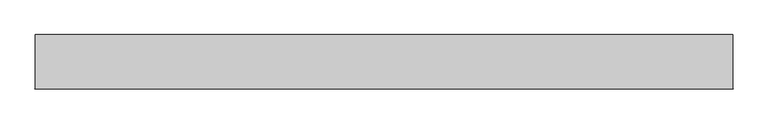
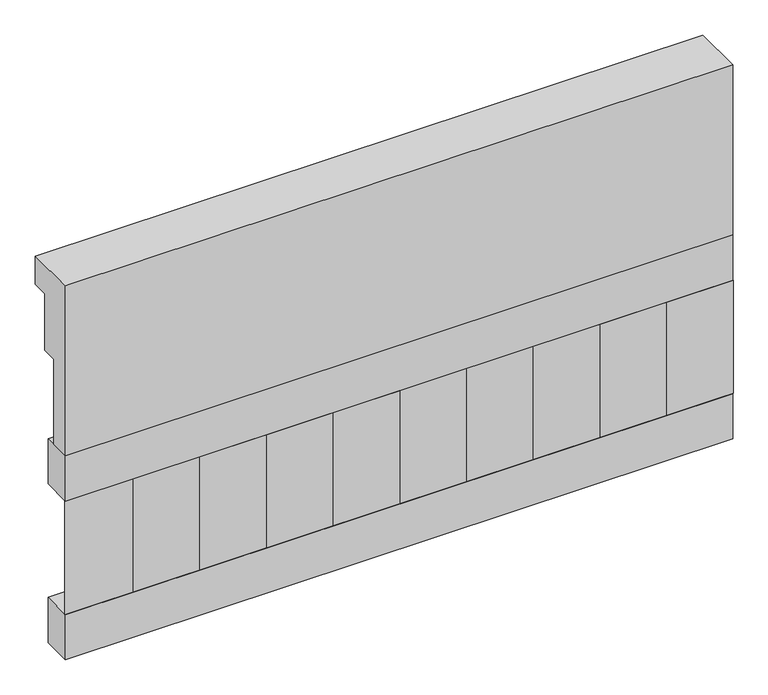
"""IFC4 building model written with IfcOpenShell, lengths in millimetres: railing geometry."""

import ifcopenshell
import ifcopenshell.guid

model = None  # the IFC model being written
_history = None  # IfcOwnerHistory: only IFC2X3 demands one
_inside = {}  # id of a spatial element -> (the spatial element, [elements in it])
_under = {}  # id of a project, library or spatial element -> (it, [spatial elements below it])
_declared = {}  # id of a project -> (the project, [libraries it declares])
_typed = {}  # id of a type object -> (the type object, [elements of that type])
_made_of = {}  # id of a material, layer set ... -> (it, [elements and type objects made of it])


def new_model(schema):
    """Start an empty IFC model of exactly this schema.

    Asked for "IFC4X3", IfcOpenShell would pick the latest addendum, in which some entities
    have other attributes; the version numbers below select the first issue.
    IFC2X3 requires an IfcOwnerHistory on every rooted entity: one is made here for all.
    """
    global model, _history
    if schema == "IFC4X3":
        model = ifcopenshell.file(schema_version=(4, 3, 0, 0))
    else:
        model = ifcopenshell.file(schema=schema)
    _inside.clear()
    _under.clear()
    _declared.clear()
    _typed.clear()
    _made_of.clear()
    _history = None
    if model.schema == "IFC2X3":
        org = make("IfcOrganization", Name="unknown")
        user = make(
            "IfcPersonAndOrganization",
            ThePerson=make("IfcPerson", FamilyName="unknown"),
            TheOrganization=org,
        )
        app = make(
            "IfcApplication",
            ApplicationDeveloper=org,
            Version="unknown",
            ApplicationFullName="unknown",
            ApplicationIdentifier="unknown",
        )
        _history = make(
            "IfcOwnerHistory",
            OwningUser=user,
            OwningApplication=app,
            ChangeAction="ADDED",
            CreationDate=0,
        )
    return model


def make(cls, **values):
    """One entity of the class cls with the attributes given. An attribute that is None is left unset."""
    return model.create_entity(
        cls, **{name: value for name, value in values.items() if value is not None}
    )


def rooted(cls, **values):
    """An entity with a GlobalId (a new one), such as an element, a storey or a relation."""
    return make(cls, GlobalId=ifcopenshell.guid.new(), OwnerHistory=_history, **values)


def si_unit(unit_type, name, prefix=None):
    """IfcSIUnit, for example si_unit("LENGTHUNIT", "METRE", prefix="MILLI")."""
    return make("IfcSIUnit", UnitType=unit_type, Prefix=prefix, Name=name)


def assignment(units):
    """IfcUnitAssignment: the units of a project."""
    return None if units is None else make("IfcUnitAssignment", Units=units)


def point(xyz):
    """IfcCartesianPoint."""
    return None if xyz is None else make("IfcCartesianPoint", Coordinates=xyz)


def direction(xyz):
    """IfcDirection."""
    return None if xyz is None else make("IfcDirection", DirectionRatios=xyz)


def frame(location, z_axis=None, x_axis=None):
    """IfcAxis2Placement3D, a coordinate frame: its origin and axes. An axis left out is left unset."""
    return make(
        "IfcAxis2Placement3D",
        Location=point(location),
        Axis=direction(z_axis),
        RefDirection=direction(x_axis),
    )


def origin():
    """The frame at (0, 0, 0) with its axes left unset."""
    return frame((0.0, 0.0, 0.0))


def place(relative_to, where):
    """IfcLocalPlacement: puts the frame where relative to a parent placement (None: the world)."""
    return make(
        "IfcLocalPlacement", PlacementRelTo=relative_to, RelativePlacement=where
    )


def context(
    kind, dimensions, precision=None, world=None, true_north=None, identifier=None
):
    """IfcGeometricRepresentationContext, for example the 3D "Model" context."""
    return make(
        "IfcGeometricRepresentationContext",
        ContextIdentifier=identifier,
        ContextType=kind,
        CoordinateSpaceDimension=dimensions,
        Precision=precision,
        WorldCoordinateSystem=world,
        TrueNorth=true_north,
    )


def project(units=None, contexts=None):
    """IfcProject with its units and contexts."""
    return rooted(
        "IfcProject",
        Name="project",
        RepresentationContexts=contexts,
        UnitsInContext=assignment(units),
    )


def spatial(cls, under=None, at=None, **own):
    """A site, building, storey or space (cls), placed at a placement, below another one or the project."""
    s = rooted(cls, ObjectPlacement=at, **own)
    if under is not None:
        _under.setdefault(under.id(), (under, []))[1].append(s)
    return s


def polyline(points):
    """IfcPolyline through the points."""
    return make("IfcPolyline", Points=[point(p) for p in points])


def outline(outer, holes=None, kind="AREA"):
    """IfcArbitraryClosedProfileDef: a profile drawn as a closed curve; with holes, ...WithVoids."""
    if holes is None:
        return make("IfcArbitraryClosedProfileDef", ProfileType=kind, OuterCurve=outer)
    return make(
        "IfcArbitraryProfileDefWithVoids",
        ProfileType=kind,
        OuterCurve=outer,
        InnerCurves=holes,
    )


def extrude(swept, where, along, depth):
    """IfcExtrudedAreaSolid: the profile swept, set in the frame where, extruded along a direction by depth."""
    return make(
        "IfcExtrudedAreaSolid",
        SweptArea=swept,
        Position=where,
        ExtrudedDirection=direction(along),
        Depth=depth,
    )


def shape(context_of_items, identifier, shape_type, items):
    """IfcShapeRepresentation: the items that make up one representation, for example the "Body"."""
    return make(
        "IfcShapeRepresentation",
        ContextOfItems=context_of_items,
        RepresentationIdentifier=identifier,
        RepresentationType=shape_type,
        Items=items,
    )


def source(mapping_origin, context_of_items, identifier, shape_type, items):
    """IfcRepresentationMap: a shape defined once, which mapped items show again and again."""
    return make(
        "IfcRepresentationMap",
        MappingOrigin=mapping_origin,
        MappedRepresentation=shape(context_of_items, identifier, shape_type, items),
    )


def transform(
    local_origin,
    x_axis=None,
    y_axis=None,
    z_axis=None,
    scale=None,
    scale2=None,
    scale3=None,
    uniform=True,
):
    """IfcCartesianTransformationOperator3D, or its non-uniform kind. x_axis, y_axis, z_axis: its Axis1, 2, 3."""
    if uniform:
        return make(
            "IfcCartesianTransformationOperator3D",
            Axis1=direction(x_axis),
            Axis2=direction(y_axis),
            LocalOrigin=point(local_origin),
            Scale=scale,
            Axis3=direction(z_axis),
        )
    return make(
        "IfcCartesianTransformationOperator3DnonUniform",
        Axis1=direction(x_axis),
        Axis2=direction(y_axis),
        LocalOrigin=point(local_origin),
        Scale=scale,
        Axis3=direction(z_axis),
        Scale2=scale2,
        Scale3=scale3,
    )


def mapped(mapping_source, mapping_target):
    """IfcMappedItem: shows the shape of a source again, moved by a transform."""
    return make(
        "IfcMappedItem", MappingSource=mapping_source, MappingTarget=mapping_target
    )


def made_of(thing, what):
    """Note that an element or type object is made of a material, layer set ...; save() writes the relation."""
    if what is not None:
        _made_of.setdefault(what.id(), (what, []))[1].append(thing)
    return thing


def element(
    cls,
    number,
    at=None,
    inside=None,
    cuts=None,
    type_object=None,
    material=None,
    context=None,
    identifier="Body",
    shape_type=None,
    held_by="IfcProductDefinitionShape",
    body=None,
    shapes=None,
    **own,
):
    """One element of the class cls, such as IfcWall. Its Tag is "e" and its number.

    at: its placement. inside: the storey or other place that contains it. cuts: it is an
    opening in that element (IfcRelVoidsElement). A single representation is given by context,
    identifier, shape_type and body (its items); several are given by shapes. held_by: the class
    of the entity that holds the representations. save() writes the other relations.
    """
    e = rooted(cls, Tag="e%d" % number, ObjectPlacement=at, **own)
    if body is not None:
        shapes = [shape(context, identifier, shape_type, body)]
    if shapes is not None:
        e.Representation = make(held_by, Representations=shapes)
    if inside is not None:
        _inside.setdefault(inside.id(), (inside, []))[1].append(e)
    if cuts is not None:
        rooted(
            "IfcRelVoidsElement", RelatingBuildingElement=cuts, RelatedOpeningElement=e
        )
    if type_object is not None:
        _typed.setdefault(type_object.id(), (type_object, []))[1].append(e)
    return made_of(e, material)


def aggregate(whole, parts):
    """IfcRelAggregates: a whole, such as a stair, and the parts it consists of."""
    return rooted("IfcRelAggregates", RelatingObject=whole, RelatedObjects=parts)


def save(model, path):
    """Write the relations noted so far, then the file.

    IfcRelAggregates (storeys below a building ...), IfcRelContainedInSpatialStructure (elements
    in a storey), IfcRelDefinesByType, IfcRelAssociatesMaterial and IfcRelDeclares: one each for
    every whole, place, type object, material and project.
    """
    for whole, parts in _under.values():
        aggregate(whole, parts)
    for where, things in _inside.values():
        rooted(
            "IfcRelContainedInSpatialStructure",
            RelatedElements=things,
            RelatingStructure=where,
        )
    for kind, things in _typed.values():
        rooted("IfcRelDefinesByType", RelatedObjects=things, RelatingType=kind)
    for what, things in _made_of.values():
        rooted("IfcRelAssociatesMaterial", RelatedObjects=things, RelatingMaterial=what)
    for by, libraries in _declared.values():
        rooted("IfcRelDeclares", RelatingContext=by, RelatedDefinitions=libraries)
    model.write(path)


def railing_172c2bff(model_context):
    return source(origin(), model_context, "Body", "SweptSolid", [
        extrude(outline(polyline([(903.1079487, 21800.0), (1033.1079487, 21800.0), (1033.1079487, 21725.0), (993.1079487, 21725.0), (993.1079487, 21575.0), (953.1079487, 21575.0), (953.1079487, 21350.0), (903.1079487, 21350.0), (903.1079487, 21800.0)])), frame((-22709.9887159, 0.0, 0.0), z_axis=(1.0, 0.0, 0.0), x_axis=(0.0, 1.0, 0.0)), (0.0, 0.0, 1.0), 1670.0),
        extrude(outline(polyline([(-21039.9887159, 978.1079487), (-21039.9887159, 903.1079487), (-22709.9887159, 903.1079487), (-22709.9887159, 978.1079487), (-21039.9887159, 978.1079487)])), frame((0.0, 0.0, 21230.0), z_axis=(0.0, 0.0, 1.0), x_axis=(1.0, 0.0, 0.0)), (0.0, 0.0, 1.0), 120.0),
        extrude(outline(polyline([(-21039.9887159, 978.1079487), (-21039.9887159, 903.1079487), (-22709.9887159, 903.1079487), (-22709.9887159, 978.1079487), (-21039.9887159, 978.1079487)])), frame((0.0, 0.0, 20810.0), z_axis=(0.0, 0.0, 1.0), x_axis=(1.0, 0.0, 0.0)), (0.0, 0.0, 1.0), 120.0),
        extrude(outline(polyline([(-22626.4887159, 987.9607624), (-22541.6359022, 903.1079487), (-22711.3415296, 903.1079487), (-22626.4887159, 987.9607624)])), frame((0.0, 0.0, 20930.0), z_axis=(0.0, 0.0, 1.0), x_axis=(1.0, 0.0, 0.0)), (0.0, 0.0, 1.0), 300.0),
        extrude(outline(polyline([(-22459.4887159, 987.9607624), (-22374.6359022, 903.1079487), (-22544.3415296, 903.1079487), (-22459.4887159, 987.9607624)])), frame((0.0, 0.0, 20930.0), z_axis=(0.0, 0.0, 1.0), x_axis=(1.0, 0.0, 0.0)), (0.0, 0.0, 1.0), 300.0),
        extrude(outline(polyline([(-22292.4887159, 987.9607624), (-22207.6359022, 903.1079487), (-22377.3415296, 903.1079487), (-22292.4887159, 987.9607624)])), frame((0.0, 0.0, 20930.0), z_axis=(0.0, 0.0, 1.0), x_axis=(1.0, 0.0, 0.0)), (0.0, 0.0, 1.0), 300.0),
        extrude(outline(polyline([(-22125.4887159, 987.9607624), (-22040.6359022, 903.1079487), (-22210.3415296, 903.1079487), (-22125.4887159, 987.9607624)])), frame((0.0, 0.0, 20930.0), z_axis=(0.0, 0.0, 1.0), x_axis=(1.0, 0.0, 0.0)), (0.0, 0.0, 1.0), 300.0),
        extrude(outline(polyline([(-21958.4887159, 987.9607624), (-21873.6359022, 903.1079487), (-22043.3415296, 903.1079487), (-21958.4887159, 987.9607624)])), frame((0.0, 0.0, 20930.0), z_axis=(0.0, 0.0, 1.0), x_axis=(1.0, 0.0, 0.0)), (0.0, 0.0, 1.0), 300.0),
        extrude(outline(polyline([(-21791.4887159, 987.9607624), (-21706.6359022, 903.1079487), (-21876.3415296, 903.1079487), (-21791.4887159, 987.9607624)])), frame((0.0, 0.0, 20930.0), z_axis=(0.0, 0.0, 1.0), x_axis=(1.0, 0.0, 0.0)), (0.0, 0.0, 1.0), 300.0),
        extrude(outline(polyline([(-21624.4887159, 987.9607624), (-21539.6359022, 903.1079487), (-21709.3415296, 903.1079487), (-21624.4887159, 987.9607624)])), frame((0.0, 0.0, 20930.0), z_axis=(0.0, 0.0, 1.0), x_axis=(1.0, 0.0, 0.0)), (0.0, 0.0, 1.0), 300.0),
        extrude(outline(polyline([(-21457.4887159, 987.9607624), (-21372.6359022, 903.1079487), (-21542.3415296, 903.1079487), (-21457.4887159, 987.9607624)])), frame((0.0, 0.0, 20930.0), z_axis=(0.0, 0.0, 1.0), x_axis=(1.0, 0.0, 0.0)), (0.0, 0.0, 1.0), 300.0),
        extrude(outline(polyline([(-21290.4887159, 987.9607624), (-21205.6359022, 903.1079487), (-21375.3415296, 903.1079487), (-21290.4887159, 987.9607624)])), frame((0.0, 0.0, 20930.0), z_axis=(0.0, 0.0, 1.0), x_axis=(1.0, 0.0, 0.0)), (0.0, 0.0, 1.0), 300.0),
        extrude(outline(polyline([(-21123.4887159, 987.9607624), (-21038.6359022, 903.1079487), (-21208.3415296, 903.1079487), (-21123.4887159, 987.9607624)])), frame((0.0, 0.0, 20930.0), z_axis=(0.0, 0.0, 1.0), x_axis=(1.0, 0.0, 0.0)), (0.0, 0.0, 1.0), 300.0),
    ])


if __name__ == "__main__":
    model = new_model("IFC4")
    model_context = context("Model", 3, world=origin())
    ifc_project = project(units=[si_unit("LENGTHUNIT", "METRE", prefix="MILLI")], contexts=[model_context])
    site = spatial("IfcSite", under=ifc_project)
    building = spatial("IfcBuilding", under=site)
    placement = place(None, origin())
    railing_shape = railing_172c2bff(model_context)
    element("IfcRailing", 1, at=placement, inside=building, context=model_context, shape_type="MappedRepresentation", body=[
        mapped(railing_shape, transform((0.0, 0.0, 0.0), x_axis=(1.0, 0.0, 0.0), y_axis=(0.0, 1.0, 0.0), z_axis=(0.0, 0.0, 1.0))),
    ])
    save(model, "model.ifc")
